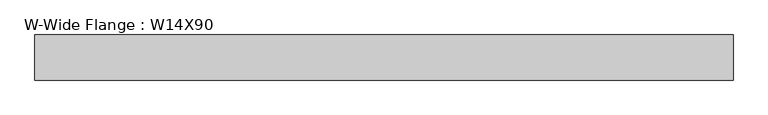
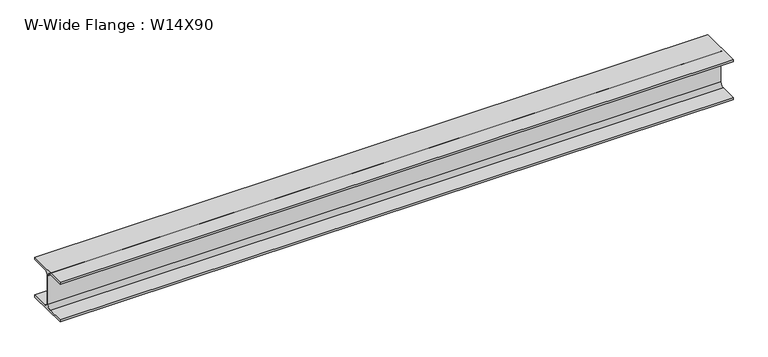
"""IFC4 building model written with IfcOpenShell, lengths in millimetres: beam geometry, W-Wide Flange : W14X90."""

from ifc_helpers import new_model, si_unit, point, frame, frame_2d, origin, place, context, project, spatial, polyline, circle_curve, trimmed, segment, composite_curve, outline, extrude, source, transform, mapped, element, save


def w_wide_flange_w14x90_57c74d5d(model_context):
    return source(origin(), model_context, "Body", "SweptSolid", [
        extrude(outline(composite_curve([segment(polyline([(184.15, -159.7421875), (184.15, -177.8), (-184.15, -177.8), (-184.15, -159.7421875), (-38.3480469, -159.7421875)]), True, "CONTINUOUS"), segment(trimmed(circle_curve(frame_2d((-38.3480469, -127.0)), 32.7421875), [point((-38.3480469, -159.7421875))], [point((-5.6058594, -127.0))], True, "CARTESIAN"), True, "CONTINUOUS"), segment(polyline([(-5.6058594, -127.0), (-5.6058594, 127.0)]), True, "CONTINUOUS"), segment(trimmed(circle_curve(frame_2d((-38.3480469, 127.0)), 32.7421875), [point((-5.6058594, 127.0))], [point((-38.3480469, 159.7421875))], True, "CARTESIAN"), True, "CONTINUOUS"), segment(polyline([(-38.3480469, 159.7421875), (-184.15, 159.7421875), (-184.15, 177.8), (184.15, 177.8), (184.15, 159.7421875), (38.3480469, 159.7421875)]), True, "CONTINUOUS"), segment(trimmed(circle_curve(frame_2d((38.3480469, 127.0)), 32.7421875), [point((38.3480469, 159.7421875))], [point((5.6058594, 127.0))], True, "CARTESIAN"), True, "CONTINUOUS"), segment(polyline([(5.6058594, 127.0), (5.6058594, -127.0)]), True, "CONTINUOUS"), segment(trimmed(circle_curve(frame_2d((38.3480469, -127.0)), 32.7421875), [point((5.6058594, -127.0))], [point((38.3480469, -159.7421875))], True, "CARTESIAN"), True, "CONTINUOUS"), segment(polyline([(38.3480469, -159.7421875), (184.15, -159.7421875)]), True, "CONTINUOUS")], self_intersect=False)), frame((-2850.9019531, 0.0, 0.0), z_axis=(1.0, 0.0, 0.0), x_axis=(0.0, 1.0, 0.0)), (0.0, 0.0, 1.0), 5701.8039062),
    ])


if __name__ == "__main__":
    model = new_model("IFC4")
    model_context = context("Model", 3, world=origin())
    ifc_project = project(units=[si_unit("LENGTHUNIT", "METRE", prefix="MILLI")], contexts=[model_context])
    site = spatial("IfcSite", under=ifc_project)
    building = spatial("IfcBuilding", under=site)
    placement = place(None, origin())
    w_wide_flange_w14x90_shape = w_wide_flange_w14x90_57c74d5d(model_context)
    element("IfcBeam", 1, ObjectType="W-Wide Flange : W14X90", at=placement, inside=building, context=model_context, shape_type="MappedRepresentation", body=[
        mapped(w_wide_flange_w14x90_shape, transform((0.0, 0.0, 0.0), x_axis=(1.0, 0.0, 0.0), y_axis=(0.0, 1.0, 0.0), z_axis=(0.0, 0.0, 1.0))),
    ])
    save(model, "model.ifc")
